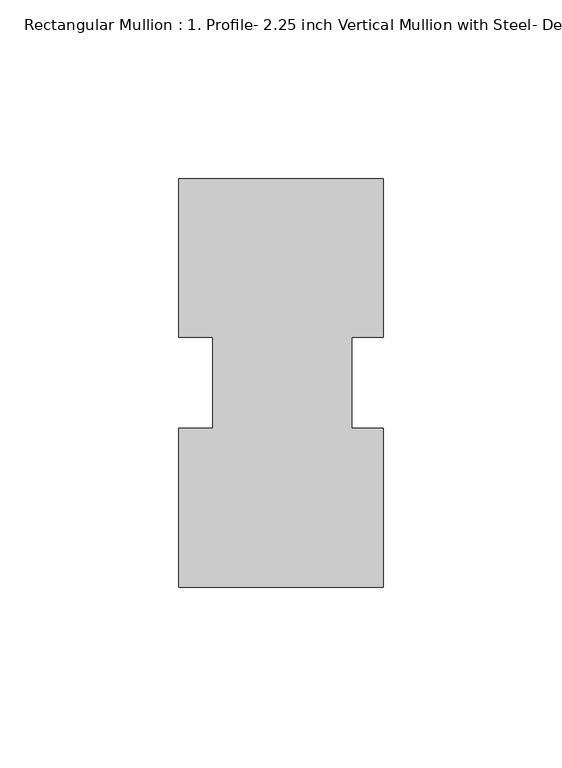
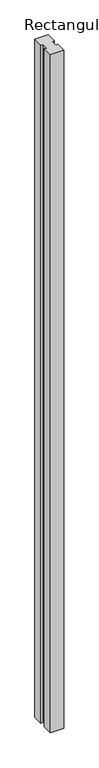
"""IFC4 building model written with IfcOpenShell, lengths in millimetres: member geometry, Rectangular Mullion : 1. Profile- 2.25 inch Vertical Mullion with Steel- Detail-5D."""

from ifc_helpers import new_model, si_unit, frame, origin, place, context, project, spatial, polyline, outline, extrude, source, transform, mapped, element, save


def rectangular_mullion_1_profile_2_25_inch_vertical_mullion_39b95e0f(model_context):
    return source(origin(), model_context, "Body", "SweptSolid", [
        extrude(outline(polyline([(28.575, 57.1499492), (28.575, 12.7937718), (19.84375, 12.7937718), (19.84375, -12.6939265), (28.575, -12.6939265), (28.575, -57.1500508), (-28.575, -57.1499365), (-28.575, -12.6939265), (-19.05, -12.6939265), (-19.05, 12.7937718), (-28.575, 12.7937718), (-28.575, 57.1500635), (28.575, 57.1499492)])), frame((0.0, 0.0, -3048.0), z_axis=(0.0, 0.0, 1.0), x_axis=(1.0, 0.0, 0.0)), (0.0, 0.0, 1.0), 3048.0),
    ])


if __name__ == "__main__":
    model = new_model("IFC4")
    model_context = context("Model", 3, world=origin())
    ifc_project = project(units=[si_unit("LENGTHUNIT", "METRE", prefix="MILLI")], contexts=[model_context])
    site = spatial("IfcSite", under=ifc_project)
    building = spatial("IfcBuilding", under=site)
    placement = place(None, origin())
    rectangular_mullion_1_profile_2_25_inch_vertical_mullion_shape = rectangular_mullion_1_profile_2_25_inch_vertical_mullion_39b95e0f(model_context)
    element("IfcMember", 1, ObjectType="Rectangular Mullion : 1. Profile- 2.25 inch Vertical Mullion with Steel- Detail-5D", at=placement, inside=building, context=model_context, shape_type="MappedRepresentation", body=[
        mapped(rectangular_mullion_1_profile_2_25_inch_vertical_mullion_shape, transform((0.0, 0.0, 0.0), x_axis=(1.0, 0.0, 0.0), y_axis=(0.0, 1.0, 0.0), z_axis=(0.0, 0.0, 1.0))),
    ])
    save(model, "model.ifc")
